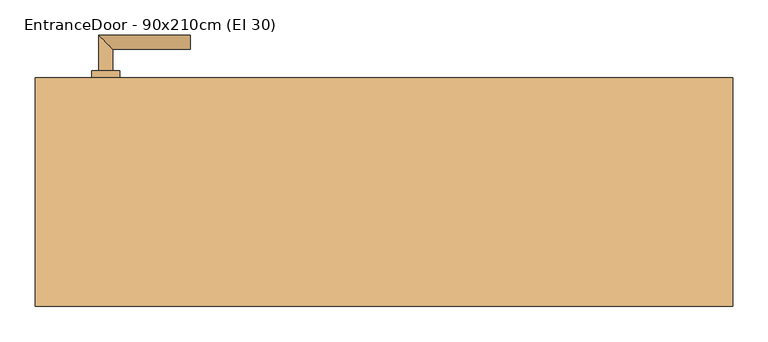
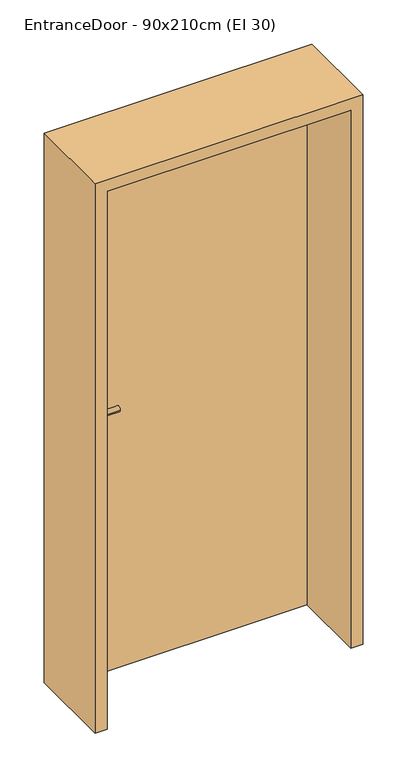
"""IFC4 building model written with IfcOpenShell, lengths in millimetres: door geometry, EntranceDoor - 90x210cm (EI 30)."""

from ifc_helpers import new_model, si_unit, point, frame, frame_2d, origin, origin_with_axes, place, context, project, spatial, polyline, circle_curve, ellipse_curve, trimmed, segment, composite_curve, outline, extrude, faceted_brep, source, transform, mapped, element, save
from ifc_brep_helpers import plane_surface, cylinder_surface, advanced_brep


def entrancedoor_90x210cm_ei_30_c81e382e(model_context):
    return source(origin(), model_context, "Body", "SolidModel", [
        extrude(outline(polyline([(461.0, 125.0), (461.0, 80.0), (-461.0, 80.0), (-461.0, 125.0), (461.0, 125.0)])), origin_with_axes(), (0.0, 0.0, 1.0), 2111.0),
        advanced_brep(
        [(-385.0, 135.0, 1050.0), (-405.0, 135.0, 1050.0), (-385.0, 165.0, 1050.0), (-405.0, 185.0, 1050.0), (-275.0, 165.0, 1050.0), (-275.0, 185.0, 1050.0)],
        [
            (0, 1, circle_curve(frame((-395.0, 135.0, 1050.0), z_axis=(0.0, -1.0, 0.0), x_axis=(-1.0, 0.0, 0.0)), 10.0)),
            (1, 0, circle_curve(frame((-395.0, 135.0, 1050.0), z_axis=(0.0, -1.0, 0.0), x_axis=(-1.0, 0.0, 0.0)), 10.0)),
            (0, 2),
            (2, 3, ellipse_curve(frame((-395.0, 175.0, 1050.0), z_axis=(-0.7071067811865531, -0.7071067811865419, 0.0), x_axis=(0.707106781186542, -0.707106781186553, 0.0)), 14.1421356, 10.0)),
            (3, 1),
            (3, 2, ellipse_curve(frame((-395.0, 175.0, 1050.0), z_axis=(-0.7071067811865531, -0.7071067811865419, 0.0), x_axis=(0.707106781186542, -0.707106781186553, 0.0)), 14.1421356, 10.0)),
            (4, 5, circle_curve(frame((-275.0, 175.0, 1050.0), z_axis=(1.0, 0.0, 0.0), x_axis=(0.0, 1.0, 0.0)), 10.0)),
            (5, 4, circle_curve(frame((-275.0, 175.0, 1050.0), z_axis=(1.0, 0.0, 0.0), x_axis=(0.0, 1.0, 0.0)), 10.0)),
            (2, 4),
            (5, 3),
        ],
        [
            plane_surface(frame((-395.0, 135.0, 1050.0), z_axis=(0.0, -1.0, 0.0), x_axis=(0.0, 0.0, 1.0))),
            cylinder_surface(frame((-395.0, 135.0, 1050.0), z_axis=(0.0, -1.0, 0.0), x_axis=(-1.0, 0.0, 0.0)), 10.0),
            plane_surface(frame((-275.0, 175.0, 1050.0), z_axis=(1.0, 0.0, 0.0), x_axis=(0.0, 0.0, 1.0))),
            cylinder_surface(frame((-395.0, 175.0, 1050.0), z_axis=(-1.0, 0.0, 0.0), x_axis=(0.0, 1.0, 0.0)), 10.0),
        ],
        [
            (0, [[1, 2]]),
            (1, [[-1, 3, 4, 5]]),
            (1, [[-2, -5, 6, -3]]),
            (2, [[7, 8]]),
            (3, [[-4, 9, -8, 10]]),
            (3, [[-6, -10, -7, -9]]),
        ],
    ),
        extrude(outline(composite_curve([segment(trimmed(circle_curve(frame_2d((990.0, -395.0)), 20.0), [point((990.0, -415.0))], [point((990.0, -375.0))], False, "CARTESIAN"), True, "CONTINUOUS"), segment(trimmed(circle_curve(frame_2d((990.0, -395.0)), 20.0), [point((990.0, -375.0))], [point((990.0, -415.0))], False, "CARTESIAN"), True, "CONTINUOUS")], self_intersect=False), holes=[composite_curve([segment(polyline([(976.4601385, -397.397268), (988.4749012, -397.397268)]), True, "CONTINUOUS"), segment(trimmed(circle_curve(frame_2d((995.0361633, -395.0)), 6.9854888), [point((988.4749012, -397.397268))], [point((988.4749012, -392.602732))], True, "CARTESIAN"), True, "CONTINUOUS"), segment(polyline([(988.4749012, -392.602732), (976.4601385, -392.602732)]), True, "CONTINUOUS"), segment(trimmed(circle_curve(frame_2d((976.4601385, -395.0)), 2.397268), [point((976.4601385, -392.602732))], [point((976.4601385, -397.397268))], True, "CARTESIAN"), True, "CONTINUOUS")], self_intersect=False)]), frame((0.0, 125.0, 0.0), z_axis=(0.0, 1.0, 0.0), x_axis=(0.0, 0.0, 1.0)), (0.0, 0.0, 1.0), 10.0),
        advanced_brep(
        [(-385.0, 135.0, 1050.0), (-405.0, 135.0, 1050.0), (-385.0, 165.0, 1050.0), (-405.0, 185.0, 1050.0), (-275.0, 165.0, 1050.0), (-275.0, 185.0, 1050.0)],
        [
            (0, 1, circle_curve(frame((-395.0, 135.0, 1050.0), z_axis=(0.0, -1.0, 0.0), x_axis=(-1.0, 0.0, 0.0)), 10.0)),
            (1, 0, circle_curve(frame((-395.0, 135.0, 1050.0), z_axis=(0.0, -1.0, 0.0), x_axis=(-1.0, 0.0, 0.0)), 10.0)),
            (0, 2),
            (2, 3, ellipse_curve(frame((-395.0, 175.0, 1050.0), z_axis=(-0.7071067811865537, -0.7071067811865414, 0.0), x_axis=(0.7071067811865414, -0.7071067811865536, 0.0)), 14.1421356, 10.0)),
            (3, 1),
            (3, 2, ellipse_curve(frame((-395.0, 175.0, 1050.0), z_axis=(-0.7071067811865537, -0.7071067811865414, 0.0), x_axis=(0.7071067811865414, -0.7071067811865536, 0.0)), 14.1421356, 10.0)),
            (4, 5, circle_curve(frame((-275.0, 175.0, 1050.0), z_axis=(1.0, 0.0, 0.0), x_axis=(0.0, 1.0, 0.0)), 10.0)),
            (5, 4, circle_curve(frame((-275.0, 175.0, 1050.0), z_axis=(1.0, 0.0, 0.0), x_axis=(0.0, 1.0, 0.0)), 10.0)),
            (2, 4),
            (5, 3),
        ],
        [
            plane_surface(frame((-395.0, 135.0, 1050.0), z_axis=(0.0, -1.0, 0.0), x_axis=(0.0, 0.0, 1.0))),
            cylinder_surface(frame((-395.0, 135.0, 1050.0), z_axis=(0.0, -1.0, 0.0), x_axis=(-1.0, 0.0, 0.0)), 10.0),
            plane_surface(frame((-275.0, 175.0, 1050.0), z_axis=(1.0, 0.0, 0.0), x_axis=(0.0, 0.0, 1.0))),
            cylinder_surface(frame((-395.0, 175.0, 1050.0), z_axis=(-1.0, 0.0, 0.0), x_axis=(0.0, 1.0, 0.0)), 10.0),
        ],
        [
            (0, [[1, 2]]),
            (1, [[-1, 3, 4, 5]]),
            (1, [[-2, -5, 6, -3]]),
            (2, [[7, 8]]),
            (3, [[-4, 9, -8, 10]]),
            (3, [[-6, -10, -7, -9]]),
        ],
    ),
        extrude(outline(composite_curve([segment(trimmed(circle_curve(frame_2d((1050.0, -395.0)), 20.0), [point((1050.0, -415.0))], [point((1050.0, -375.0))], False, "CARTESIAN"), True, "CONTINUOUS"), segment(trimmed(circle_curve(frame_2d((1050.0, -395.0)), 20.0), [point((1050.0, -375.0))], [point((1050.0, -415.0))], False, "CARTESIAN"), True, "CONTINUOUS")], self_intersect=False)), frame((0.0, 125.0, 0.0), z_axis=(0.0, 1.0, 0.0), x_axis=(0.0, 0.0, 1.0)), (0.0, 0.0, 1.0), 10.0),
        advanced_brep(
        [(-385.0, 70.0, 1050.0), (-405.0, 70.0, 1050.0), (-405.0, 20.0, 1050.0), (-385.0, 40.0, 1050.0), (-275.0, 40.0, 1050.0), (-275.0, 20.0, 1050.0)],
        [
            (0, 1, circle_curve(frame((-395.0, 70.0, 1050.0), z_axis=(0.0, 1.0, 0.0), x_axis=(-1.0, 0.0, 0.0)), 10.0)),
            (1, 0, circle_curve(frame((-395.0, 70.0, 1050.0), z_axis=(0.0, 1.0, 0.0), x_axis=(-1.0, 0.0, 0.0)), 10.0)),
            (1, 2),
            (2, 3, ellipse_curve(frame((-395.0, 30.0, 1050.0), z_axis=(-0.7071067811865486, 0.7071067811865464, 0.0), x_axis=(0.7071067811865464, 0.7071067811865488, 0.0)), 14.1421356, 10.0)),
            (3, 0),
            (3, 2, ellipse_curve(frame((-395.0, 30.0, 1050.0), z_axis=(-0.7071067811865486, 0.7071067811865464, 0.0), x_axis=(0.7071067811865464, 0.7071067811865488, 0.0)), 14.1421356, 10.0)),
            (4, 5, circle_curve(frame((-275.0, 30.0, 1050.0), z_axis=(1.0, 0.0, 0.0), x_axis=(0.0, -1.0, 0.0)), 10.0)),
            (5, 4, circle_curve(frame((-275.0, 30.0, 1050.0), z_axis=(1.0, 0.0, 0.0), x_axis=(0.0, -1.0, 0.0)), 10.0)),
            (2, 5),
            (4, 3),
        ],
        [
            plane_surface(frame((-395.0, 70.0, 1050.0), z_axis=(0.0, 1.0, 0.0), x_axis=(0.0, 0.0, 1.0))),
            cylinder_surface(frame((-395.0, 70.0, 1050.0), z_axis=(0.0, 1.0, 0.0), x_axis=(-1.0, 0.0, 0.0)), 10.0),
            plane_surface(frame((-275.0, 30.0, 1050.0), z_axis=(1.0, 0.0, 0.0), x_axis=(0.0, 0.0, 1.0))),
            cylinder_surface(frame((-395.0, 30.0, 1050.0), z_axis=(-1.0, 0.0, 0.0), x_axis=(0.0, -1.0, 0.0)), 10.0),
        ],
        [
            (0, [[1, 2]]),
            (1, [[3, 4, 5, -2]]),
            (1, [[-5, 6, -3, -1]]),
            (2, [[7, 8]]),
            (3, [[9, -7, 10, -4]]),
            (3, [[-10, -8, -9, -6]]),
        ],
    ),
        extrude(outline(composite_curve([segment(trimmed(circle_curve(frame_2d((990.0, -395.0)), 20.0), [point((990.0, -415.0))], [point((990.0, -375.0))], False, "CARTESIAN"), True, "CONTINUOUS"), segment(trimmed(circle_curve(frame_2d((990.0, -395.0)), 20.0), [point((990.0, -375.0))], [point((990.0, -415.0))], False, "CARTESIAN"), True, "CONTINUOUS")], self_intersect=False), holes=[composite_curve([segment(polyline([(976.4601385, -397.397268), (988.4749012, -397.397268)]), True, "CONTINUOUS"), segment(trimmed(circle_curve(frame_2d((995.0361633, -395.0)), 6.9854888), [point((988.4749012, -397.397268))], [point((988.4749012, -392.602732))], True, "CARTESIAN"), True, "CONTINUOUS"), segment(polyline([(988.4749012, -392.602732), (976.4601385, -392.602732)]), True, "CONTINUOUS"), segment(trimmed(circle_curve(frame_2d((976.4601385, -395.0)), 2.397268), [point((976.4601385, -392.602732))], [point((976.4601385, -397.397268))], True, "CARTESIAN"), True, "CONTINUOUS")], self_intersect=False)]), frame((0.0, 70.0, 0.0), z_axis=(0.0, 1.0, 0.0), x_axis=(0.0, 0.0, 1.0)), (0.0, 0.0, 1.0), 10.0),
        advanced_brep(
        [(-385.0, 70.0, 1050.0), (-405.0, 70.0, 1050.0), (-405.0, 20.0, 1050.0), (-385.0, 40.0, 1050.0), (-275.0, 40.0, 1050.0), (-275.0, 20.0, 1050.0)],
        [
            (0, 1, circle_curve(frame((-395.0, 70.0, 1050.0), z_axis=(0.0, 1.0, 0.0), x_axis=(-1.0, 0.0, 0.0)), 10.0)),
            (1, 0, circle_curve(frame((-395.0, 70.0, 1050.0), z_axis=(0.0, 1.0, 0.0), x_axis=(-1.0, 0.0, 0.0)), 10.0)),
            (1, 2),
            (2, 3, ellipse_curve(frame((-395.0, 30.0, 1050.0), z_axis=(-0.7071067811865491, 0.7071067811865459, 0.0), x_axis=(0.7071067811865458, 0.7071067811865492, 0.0)), 14.1421356, 10.0)),
            (3, 0),
            (3, 2, ellipse_curve(frame((-395.0, 30.0, 1050.0), z_axis=(-0.7071067811865491, 0.7071067811865459, 0.0), x_axis=(0.7071067811865458, 0.7071067811865492, 0.0)), 14.1421356, 10.0)),
            (4, 5, circle_curve(frame((-275.0, 30.0, 1050.0), z_axis=(1.0, 0.0, 0.0), x_axis=(0.0, -1.0, 0.0)), 10.0)),
            (5, 4, circle_curve(frame((-275.0, 30.0, 1050.0), z_axis=(1.0, 0.0, 0.0), x_axis=(0.0, -1.0, 0.0)), 10.0)),
            (2, 5),
            (4, 3),
        ],
        [
            plane_surface(frame((-395.0, 70.0, 1050.0), z_axis=(0.0, 1.0, 0.0), x_axis=(0.0, 0.0, 1.0))),
            cylinder_surface(frame((-395.0, 70.0, 1050.0), z_axis=(0.0, 1.0, 0.0), x_axis=(-1.0, 0.0, 0.0)), 10.0),
            plane_surface(frame((-275.0, 30.0, 1050.0), z_axis=(1.0, 0.0, 0.0), x_axis=(0.0, 0.0, 1.0))),
            cylinder_surface(frame((-395.0, 30.0, 1050.0), z_axis=(-1.0, 0.0, 0.0), x_axis=(0.0, -1.0, 0.0)), 10.0),
        ],
        [
            (0, [[1, 2]]),
            (1, [[3, 4, 5, -2]]),
            (1, [[-5, 6, -3, -1]]),
            (2, [[7, 8]]),
            (3, [[9, -7, 10, -4]]),
            (3, [[-10, -8, -9, -6]]),
        ],
    ),
        extrude(outline(composite_curve([segment(trimmed(circle_curve(frame_2d((1050.0, -395.0)), 20.0), [point((1050.0, -415.0))], [point((1050.0, -375.0))], False, "CARTESIAN"), True, "CONTINUOUS"), segment(trimmed(circle_curve(frame_2d((1050.0, -395.0)), 20.0), [point((1050.0, -375.0))], [point((1050.0, -415.0))], False, "CARTESIAN"), True, "CONTINUOUS")], self_intersect=False)), frame((0.0, 70.0, 0.0), z_axis=(0.0, 1.0, 0.0), x_axis=(0.0, 0.0, 1.0)), (0.0, 0.0, 1.0), 10.0),
        faceted_brep([(-465.0, 125.0, 0.0), (-465.0, 80.0, 0.0), (-450.0, 80.0, 0.0), (-450.0, -200.0, 0.0), (-495.0, -200.0, 0.0), (-495.0, 125.0, 0.0), (-495.0, 125.0, 2145.0), (495.0, 125.0, 2145.0), (495.0, 125.0, 0.0), (465.0, 125.0, 0.0), (465.0, 125.0, 2115.0), (-465.0, 125.0, 2115.0), (-495.0, -200.0, 2145.0), (-450.0, -200.0, 2100.0), (450.0, -200.0, 2100.0), (450.0, -200.0, 0.0), (495.0, -200.0, 0.0), (495.0, -200.0, 2145.0), (-450.0, 80.0, 2100.0), (-465.0, 80.0, 2115.0), (465.0, 80.0, 2115.0), (465.0, 80.0, 0.0), (450.0, 80.0, 0.0), (450.0, 80.0, 2100.0)], [[[0, 1, 2, 3, 4, 5]], [[0, 5, 6, 7, 8, 9, 10, 11]], [[5, 4, 12, 6]], [[4, 3, 13, 14, 15, 16, 17, 12]], [[3, 2, 18, 13]], [[2, 1, 19, 20, 21, 22, 23, 18]], [[1, 0, 11, 19]], [[20, 10, 9, 21]], [[9, 8, 16, 15, 22, 21]], [[7, 17, 16, 8]], [[14, 23, 22, 15]], [[6, 12, 17, 7]], [[13, 18, 23, 14]], [[19, 11, 10, 20]]]),
    ])


if __name__ == "__main__":
    model = new_model("IFC4")
    model_context = context("Model", 3, world=origin())
    ifc_project = project(units=[si_unit("LENGTHUNIT", "METRE", prefix="MILLI")], contexts=[model_context])
    site = spatial("IfcSite", under=ifc_project)
    building = spatial("IfcBuilding", under=site)
    placement = place(None, origin())
    entrancedoor_90x210cm_ei_30_shape = entrancedoor_90x210cm_ei_30_c81e382e(model_context)
    element("IfcDoor", 1, ObjectType="EntranceDoor - 90x210cm (EI 30)", at=placement, inside=building, context=model_context, shape_type="MappedRepresentation", body=[
        mapped(entrancedoor_90x210cm_ei_30_shape, transform((0.0, 0.0, 0.0), x_axis=(1.0, 0.0, 0.0), y_axis=(0.0, 1.0, 0.0), z_axis=(0.0, 0.0, 1.0))),
    ])
    save(model, "model.ifc")
